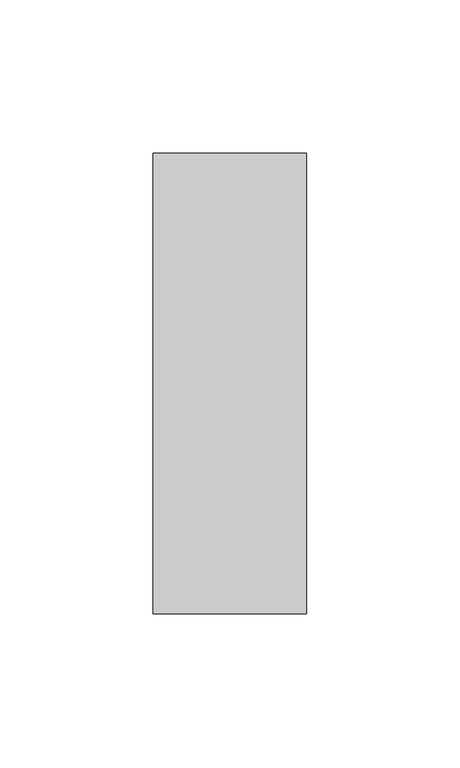
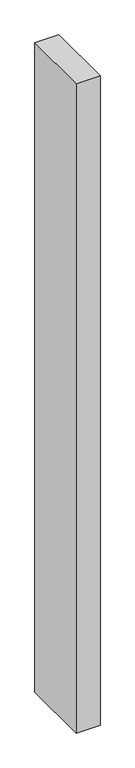
"""IFC4 building model written with IfcOpenShell, lengths in millimetres: member geometry."""

from ifc_helpers import new_model, si_unit, frame, origin, place, context, project, spatial, polyline, outline, extrude, source, transform, mapped, element, save


def member_84db58b0(model_context):
    return source(origin(), model_context, "Body", "SweptSolid", [
        extrude(outline(polyline([(0.0, 75.0), (0.0, -75.0), (-50.0, -75.0), (-50.0, 75.0), (0.0, 75.0)])), frame((0.0, 0.0, -1440.0), z_axis=(0.0, 0.0, 1.0), x_axis=(1.0, 0.0, 0.0)), (0.0, 0.0, 1.0), 1440.0),
    ])


if __name__ == "__main__":
    model = new_model("IFC4")
    model_context = context("Model", 3, world=origin())
    ifc_project = project(units=[si_unit("LENGTHUNIT", "METRE", prefix="MILLI")], contexts=[model_context])
    site = spatial("IfcSite", under=ifc_project)
    building = spatial("IfcBuilding", under=site)
    placement = place(None, origin())
    member_shape = member_84db58b0(model_context)
    element("IfcMember", 1, at=placement, inside=building, context=model_context, shape_type="MappedRepresentation", body=[
        mapped(member_shape, transform((0.0, 0.0, 0.0), x_axis=(1.0, 0.0, 0.0), y_axis=(0.0, 1.0, 0.0), z_axis=(0.0, 0.0, 1.0))),
    ])
    save(model, "model.ifc")
